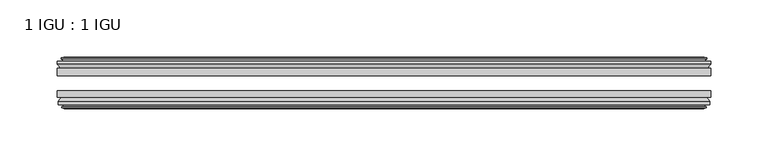
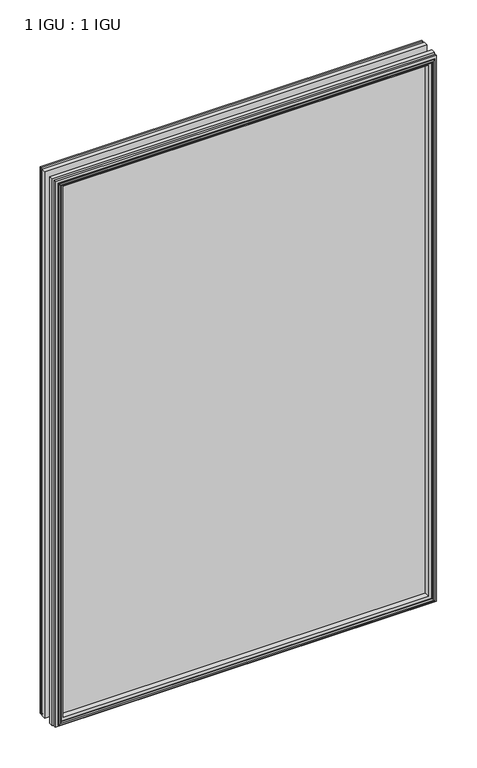
"""IFC4 building model written with IfcOpenShell, lengths in millimetres: plate geometry, 1 IGU : 1 IGU."""

from ifc_helpers import new_model, si_unit, frame, origin, place, context, project, spatial, polyline, outline, extrude, faceted_brep, source, transform, mapped, element, save


def plate_1_igu_1_igu_4fec4d1a(model_context):
    return source(origin(), model_context, "Body", "SolidModel", [
        extrude(outline(polyline([(285.75, -19.5460937), (285.75, -25.8960938), (-285.75, -25.8960938), (-285.75, -19.5460937), (285.75, -19.5460937)])), frame((0.0, 0.0, -12.7), z_axis=(0.0, 0.0, 1.0), x_axis=(1.0, 0.0, 0.0)), (0.0, 0.0, 1.0), 863.6),
        extrude(outline(polyline([(-285.75, -44.9460938), (-285.75, -38.9186737), (285.75, -38.9186737), (285.75, -44.9460938), (-285.75, -44.9460938)])), frame((0.0, 0.0, -12.7), z_axis=(0.0, 0.0, 1.0), x_axis=(1.0, 0.0, 0.0)), (0.0, 0.0, 1.0), 863.6),
        faceted_brep([(-280.162, -53.6762907, 845.312), (-280.543, -51.2960937, 845.693), (-280.543, -51.2960937, -7.493), (-280.162, -53.6762907, -7.112), (-281.5775291, -53.2163575, 846.7275291), (-281.5775291, -53.2163575, -8.5275291), (-281.5775291, -54.0175717, 846.7275291), (-281.5775291, -54.0175717, -8.5275291), (-279.4, -54.7250937, 844.55), (-279.4, -54.7250937, -6.35), (-277.2224709, -54.0175717, 842.3724709), (-277.2224709, -54.0175717, -4.1724709), (-277.2224709, -53.2163575, 842.3724709), (-277.2224709, -53.2163575, -4.1724709), (-278.638, -53.6762907, 843.788), (-278.638, -53.6762907, -5.588), (-278.257, -51.2960937, 843.407), (-278.257, -51.2960937, -5.207), (-271.3322819, -44.9460937, 836.4822819), (-273.05, -51.2960937, 838.2), (-273.05, -51.2960937, 0.0), (-271.3322819, -44.9460937, 1.7177181), (-284.988, -48.3496937, 850.138), (-282.1536578, -44.9460937, 847.3036578), (-282.1536578, -44.9460937, -9.1036578), (-284.988, -48.3496937, -11.938), (-284.988, -51.2960937, 850.138), (-284.988, -51.2960937, -11.938), (280.543, -51.2960938, -7.493), (280.162, -53.6762907, -7.112), (281.5775291, -53.2163575, -8.5275291), (281.5775291, -54.0175717, -8.5275291), (279.4, -54.7250937, -6.35), (277.2224709, -54.0175717, -4.1724709), (277.2224709, -53.2163575, -4.1724709), (278.638, -53.6762907, -5.588), (278.257, -51.2960937, -5.207), (273.05, -51.2960937, 0.0), (271.3322819, -44.9460937, 1.7177181), (282.1536578, -44.9460937, -9.1036578), (284.988, -48.3496937, -11.938), (284.988, -51.2960938, -11.938), (280.543, -51.2960938, 845.693), (280.162, -53.6762907, 845.312), (281.5775291, -53.2163575, 846.7275291), (281.5775291, -54.0175717, 846.7275291), (279.4, -54.7250937, 844.55), (277.2224709, -54.0175717, 842.3724709), (277.2224709, -53.2163575, 842.3724709), (278.638, -53.6762907, 843.788), (278.257, -51.2960937, 843.407), (273.05, -51.2960937, 838.2), (271.3322819, -44.9460937, 836.4822819), (282.1536578, -44.9460937, 847.3036578), (284.988, -48.3496937, 850.138), (284.988, -51.2960938, 850.138)], [[[0, 1, 2, 3]], [[4, 0, 3, 5]], [[6, 4, 5, 7]], [[8, 6, 7, 9]], [[10, 8, 9, 11]], [[12, 10, 11, 13]], [[14, 12, 13, 15]], [[16, 14, 15, 17]], [[18, 19, 20, 21]], [[22, 23, 24, 25]], [[26, 22, 25, 27]], [[3, 2, 28, 29]], [[5, 3, 29, 30]], [[7, 5, 30, 31]], [[9, 7, 31, 32]], [[11, 9, 32, 33]], [[13, 11, 33, 34]], [[15, 13, 34, 35]], [[17, 15, 35, 36]], [[21, 20, 37, 38]], [[25, 24, 39, 40]], [[27, 25, 40, 41]], [[29, 28, 42, 43]], [[30, 29, 43, 44]], [[31, 30, 44, 45]], [[32, 31, 45, 46]], [[33, 32, 46, 47]], [[34, 33, 47, 48]], [[35, 34, 48, 49]], [[36, 35, 49, 50]], [[38, 37, 51, 52]], [[40, 39, 53, 54]], [[41, 40, 54, 55]], [[27, 41, 55, 26], [1, 42, 28, 2]], [[43, 42, 1, 0]], [[44, 43, 0, 4]], [[45, 44, 4, 6]], [[46, 45, 6, 8]], [[47, 46, 8, 10]], [[48, 47, 10, 12]], [[49, 48, 12, 14]], [[50, 49, 14, 16]], [[17, 36, 50, 16], [19, 51, 37, 20]], [[52, 51, 19, 18]], [[23, 53, 39, 24], [21, 38, 52, 18]], [[54, 53, 23, 22]], [[55, 54, 22, 26]]]),
        faceted_brep([(-282.6743578, -19.5460937, 847.8243578), (-285.5087, -16.1424937, 850.6587), (-285.5087, -16.1424937, -12.4587), (-282.6743578, -19.5460937, -9.6243578), (-273.5707, -13.1960937, 838.7207), (-271.8529819, -19.5460937, 837.0029819), (-271.8529819, -19.5460937, 1.1970181), (-273.5707, -13.1960937, -0.5207), (-279.1587, -10.8158968, 844.3087), (-278.7777, -13.1960937, 843.9277), (-278.7777, -13.1960937, -5.7277), (-279.1587, -10.8158968, -6.1087), (-277.7431709, -11.27583, 842.8931709), (-277.7431709, -11.27583, -4.6931709), (-277.7431709, -10.4746158, 842.8931709), (-277.7431709, -10.4746158, -4.6931709), (-279.9207, -9.7670937, 845.0707), (-279.9207, -9.7670937, -6.8707), (-282.0982291, -10.4746158, 847.2482291), (-282.0982291, -10.4746158, -9.0482291), (-282.0982291, -11.27583, 847.2482291), (-282.0982291, -11.27583, -9.0482291), (-280.6827, -10.8158968, 845.8327), (-280.6827, -10.8158968, -7.6327), (-281.0637, -13.1960937, 846.2137), (-281.0637, -13.1960937, -8.0137), (-285.5087, -13.1960937, 850.6587), (-285.5087, -13.1960937, -12.4587), (285.5087, -16.1424937, -12.4587), (282.6743578, -19.5460937, -9.6243578), (271.8529819, -19.5460937, 1.1970181), (273.5707, -13.1960937, -0.5207), (278.7777, -13.1960937, -5.7277), (279.1587, -10.8158968, -6.1087), (277.7431709, -11.27583, -4.6931709), (277.7431709, -10.4746158, -4.6931709), (279.9207, -9.7670937, -6.8707), (282.0982291, -10.4746158, -9.0482291), (282.0982291, -11.27583, -9.0482291), (280.6827, -10.8158968, -7.6327), (281.0637, -13.1960937, -8.0137), (285.5087, -13.1960937, -12.4587), (285.5087, -16.1424937, 850.6587), (282.6743578, -19.5460937, 847.8243578), (271.8529819, -19.5460937, 837.0029819), (273.5707, -13.1960937, 838.7207), (278.7777, -13.1960937, 843.9277), (279.1587, -10.8158968, 844.3087), (277.7431709, -11.27583, 842.8931709), (277.7431709, -10.4746158, 842.8931709), (279.9207, -9.7670937, 845.0707), (282.0982291, -10.4746158, 847.2482291), (282.0982291, -11.27583, 847.2482291), (280.6827, -10.8158968, 845.8327), (281.0637, -13.1960937, 846.2137), (285.5087, -13.1960937, 850.6587)], [[[0, 1, 2, 3]], [[4, 5, 6, 7]], [[8, 9, 10, 11]], [[12, 8, 11, 13]], [[14, 12, 13, 15]], [[16, 14, 15, 17]], [[18, 16, 17, 19]], [[20, 18, 19, 21]], [[22, 20, 21, 23]], [[24, 22, 23, 25]], [[1, 26, 27, 2]], [[3, 2, 28, 29]], [[7, 6, 30, 31]], [[11, 10, 32, 33]], [[13, 11, 33, 34]], [[15, 13, 34, 35]], [[17, 15, 35, 36]], [[19, 17, 36, 37]], [[21, 19, 37, 38]], [[23, 21, 38, 39]], [[25, 23, 39, 40]], [[2, 27, 41, 28]], [[29, 28, 42, 43]], [[31, 30, 44, 45]], [[33, 32, 46, 47]], [[34, 33, 47, 48]], [[35, 34, 48, 49]], [[36, 35, 49, 50]], [[37, 36, 50, 51]], [[38, 37, 51, 52]], [[39, 38, 52, 53]], [[40, 39, 53, 54]], [[28, 41, 55, 42]], [[43, 42, 1, 0]], [[3, 29, 43, 0], [5, 44, 30, 6]], [[45, 44, 5, 4]], [[9, 46, 32, 10], [7, 31, 45, 4]], [[47, 46, 9, 8]], [[48, 47, 8, 12]], [[49, 48, 12, 14]], [[50, 49, 14, 16]], [[51, 50, 16, 18]], [[52, 51, 18, 20]], [[53, 52, 20, 22]], [[54, 53, 22, 24]], [[26, 55, 41, 27], [25, 40, 54, 24]], [[42, 55, 26, 1]]]),
    ])


if __name__ == "__main__":
    model = new_model("IFC4")
    model_context = context("Model", 3, world=origin())
    ifc_project = project(units=[si_unit("LENGTHUNIT", "METRE", prefix="MILLI")], contexts=[model_context])
    site = spatial("IfcSite", under=ifc_project)
    building = spatial("IfcBuilding", under=site)
    placement = place(None, origin())
    plate_1_igu_1_igu_shape = plate_1_igu_1_igu_4fec4d1a(model_context)
    element("IfcPlate", 1, ObjectType="1 IGU : 1 IGU", at=placement, inside=building, context=model_context, shape_type="MappedRepresentation", body=[
        mapped(plate_1_igu_1_igu_shape, transform((0.0, 0.0, 0.0), x_axis=(1.0, 0.0, 0.0), y_axis=(0.0, 1.0, 0.0), z_axis=(0.0, 0.0, 1.0))),
    ])
    save(model, "model.ifc")
